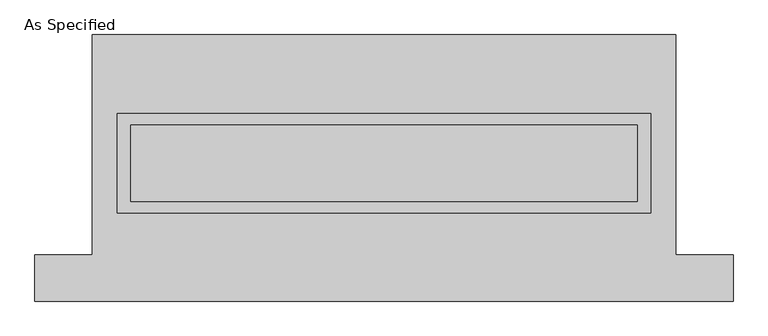
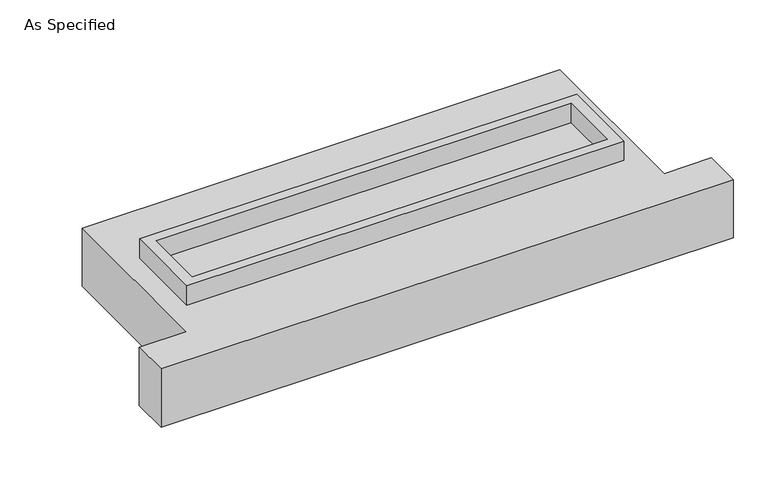
"""IFC4 building model written with IfcOpenShell, lengths in millimetres: proxy geometry, As Specified."""

from ifc_helpers import new_model, si_unit, frame, origin, place, context, project, spatial, polyline, outline, extrude, source, transform, mapped, element, save


def as_specified_548014ab(model_context):
    return source(origin(), model_context, "Body", "SweptSolid", [
        extrude(outline(polyline([(1765.3, 361.95), (1765.3, -298.45), (-1765.3, -298.45), (-1765.3, 361.95), (1765.3, 361.95)]), holes=[polyline([(1676.4, 285.75), (-1676.4, 285.75), (-1676.4, -222.25), (1676.4, -222.25), (1676.4, 285.75)])]), frame((0.0, 0.0, -688.975), z_axis=(0.0, 0.0, 1.0), x_axis=(1.0, 0.0, 0.0)), (0.0, 0.0, 1.0), 165.1),
        extrude(outline(polyline([(1765.3, 361.95), (1765.3, -298.45), (-1765.3, -298.45), (-1765.3, 361.95), (1765.3, 361.95)]), holes=[polyline([(1676.4, 285.75), (-1676.4, 285.75), (-1676.4, -222.25), (1676.4, -222.25), (1676.4, 285.75)])]), frame((0.0, 0.0, -25.4), z_axis=(0.0, 0.0, 1.0), x_axis=(1.0, 0.0, 0.0)), (0.0, 0.0, 1.0), 165.1),
        extrude(outline(polyline([(1676.4, 285.75), (1676.4, -222.25), (-1676.4, -222.25), (-1676.4, 285.75), (1676.4, 285.75)])), frame((0.0, 0.0, -523.875), z_axis=(0.0, 0.0, 1.0), x_axis=(1.0, 0.0, 0.0)), (0.0, 0.0, 1.0), 4.9609375),
        extrude(outline(polyline([(1676.4, 285.75), (1676.4, -222.25), (-1676.4, -222.25), (-1676.4, 285.75), (1676.4, 285.75)])), frame((0.0, 0.0, -30.3609375), z_axis=(0.0, 0.0, 1.0), x_axis=(1.0, 0.0, 0.0)), (0.0, 0.0, 1.0), 4.9609375),
        extrude(outline(polyline([(-1930.4, 882.65), (1930.4, 882.65), (1930.4, -577.85), (2311.4, -577.85), (2311.4, -882.65), (-2311.4, -882.65), (-2311.4, -577.85), (-1930.4, -577.85), (-1930.4, 882.65)]), holes=[polyline([(-1765.3, 361.95), (-1765.3, -298.45), (1765.3, -298.45), (1765.3, 361.95), (-1765.3, 361.95)])]), frame((0.0, 0.0, -523.875), z_axis=(0.0, 0.0, 1.0), x_axis=(1.0, 0.0, 0.0)), (0.0, 0.0, 1.0), 498.475),
    ])


if __name__ == "__main__":
    model = new_model("IFC4")
    model_context = context("Model", 3, world=origin())
    ifc_project = project(units=[si_unit("LENGTHUNIT", "METRE", prefix="MILLI")], contexts=[model_context])
    site = spatial("IfcSite", under=ifc_project)
    building = spatial("IfcBuilding", under=site)
    placement = place(None, origin())
    as_specified_shape = as_specified_548014ab(model_context)
    element("IfcBuildingElementProxy", 1, Name="As Specified", ObjectType="As Specified", at=placement, inside=building, context=model_context, shape_type="MappedRepresentation", body=[
        mapped(as_specified_shape, transform((0.0, 0.0, 0.0), x_axis=(1.0, 0.0, 0.0), y_axis=(0.0, 1.0, 0.0), z_axis=(0.0, 0.0, 1.0))),
    ])
    save(model, "model.ifc")
